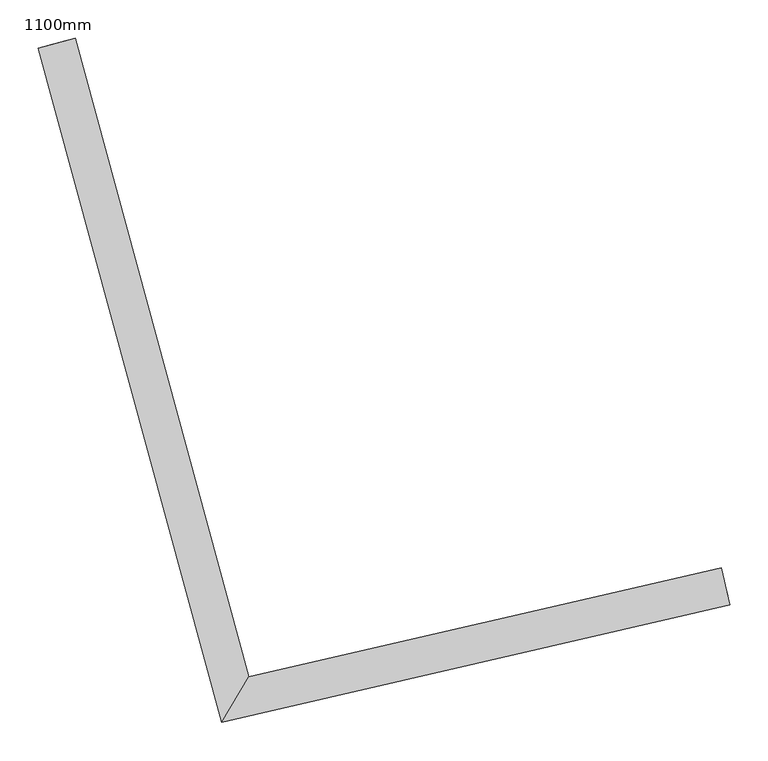
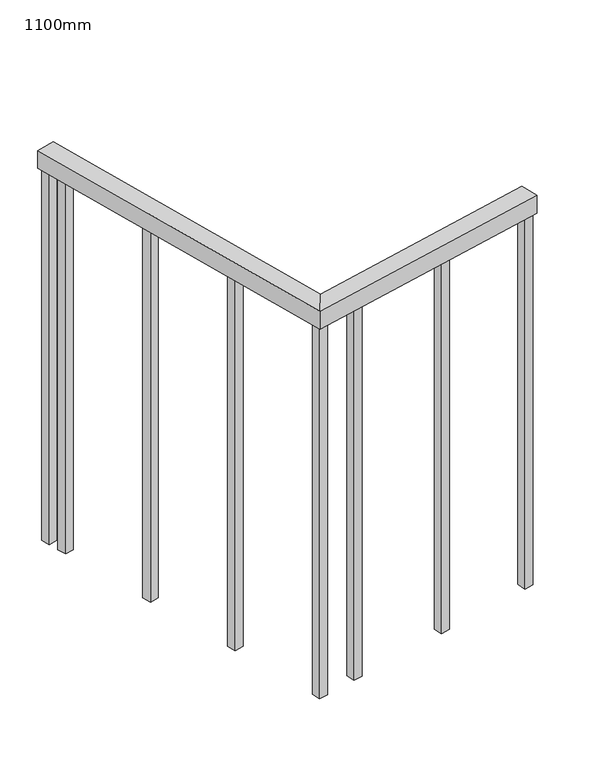
"""IFC4 building model written with IfcOpenShell, lengths in millimetres: railing geometry, 1100mm."""

from ifc_helpers import new_model, si_unit, frame, origin, place, context, project, spatial, polyline, outline, extrude, faceted_brep, source, transform, mapped, element, save


def railing_1100mm_f8deb317(model_context):
    return source(origin(), model_context, "Body", "SolidModel", [
        faceted_brep([(188792.3343753, -74279.3101806, 1700.0), (188803.581928, -74328.0286838, 1700.0), (188803.581928, -74328.0286838, 1650.0), (188792.3343753, -74279.3101806, 1650.0), (188174.1876302, -74422.0206015, 1700.0), (188138.5571648, -74481.561748, 1700.0), (188138.5571648, -74481.561748, 1650.0), (188174.1876302, -74422.0206015, 1650.0), (187946.8909413, -73585.7711418, 1700.0), (187946.8909413, -73585.7711418, 1650.0), (187898.6414707, -73598.8855837, 1650.0), (187898.6414707, -73598.8855837, 1700.0)], [[[0, 1, 2, 3]], [[1, 0, 4, 5]], [[2, 1, 5, 6]], [[3, 2, 6, 7]], [[0, 3, 7, 4]], [[8, 9, 10, 11]], [[5, 4, 8, 11]], [[6, 5, 11, 10]], [[7, 6, 10, 9]], [[4, 7, 9, 8]]]),
        extrude(outline(polyline([(187955.3250851, -73664.4586667), (187931.2003498, -73671.0158877), (187924.6431288, -73646.8911523), (187948.7678641, -73640.3339314), (187955.3250851, -73664.4586667)])), frame((0.0, 0.0, 600.0), z_axis=(0.0, 0.0, 1.0), x_axis=(1.0, 0.0, 0.0)), (0.0, 0.0, 1.0), 1050.0),
        extrude(outline(polyline([(188027.4545152, -73929.8307551), (188003.3297799, -73936.3879761), (187996.772559, -73912.2632407), (188020.8972943, -73905.7060198), (188027.4545152, -73929.8307551)])), frame((0.0, 0.0, 600.0), z_axis=(0.0, 0.0, 1.0), x_axis=(1.0, 0.0, 0.0)), (0.0, 0.0, 1.0), 1050.0),
        extrude(outline(polyline([(188099.5839454, -74195.2028435), (188075.4592101, -74201.7600645), (188068.9019892, -74177.6353291), (188093.0267245, -74171.0781082), (188099.5839454, -74195.2028435)])), frame((0.0, 0.0, 600.0), z_axis=(0.0, 0.0, 1.0), x_axis=(1.0, 0.0, 0.0)), (0.0, 0.0, 1.0), 1050.0),
        extrude(outline(polyline([(188271.4223537, -74412.4009981), (188277.04613, -74436.7602497), (188252.6868784, -74442.3840261), (188247.0631021, -74418.0247745), (188271.4223537, -74412.4009981)])), frame((0.0, 0.0, 600.0), z_axis=(0.0, 0.0, 1.0), x_axis=(1.0, 0.0, 0.0)), (0.0, 0.0, 1.0), 1050.0),
        extrude(outline(polyline([(188539.3741215, -74350.5394582), (188544.9978979, -74374.8987098), (188520.6386462, -74380.5224862), (188515.0148699, -74356.1632345), (188539.3741215, -74350.5394582)])), frame((0.0, 0.0, 600.0), z_axis=(0.0, 0.0, 1.0), x_axis=(1.0, 0.0, 0.0)), (0.0, 0.0, 1.0), 1050.0),
        extrude(outline(polyline([(188165.7401351, -74436.7996607), (188171.3639115, -74461.1589124), (188147.0046599, -74466.7826887), (188141.3808835, -74442.4234371), (188165.7401351, -74436.7996607)])), frame((0.0, 0.0, 600.0), z_axis=(0.0, 0.0, 1.0), x_axis=(1.0, 0.0, 0.0)), (0.0, 0.0, 1.0), 1050.0),
        extrude(outline(polyline([(187941.3857946, -73613.1744876), (187917.2610593, -73619.7317085), (187910.7038384, -73595.6069732), (187934.8285737, -73589.0497523), (187941.3857946, -73613.1744876)])), frame((0.0, 0.0, 600.0), z_axis=(0.0, 0.0, 1.0), x_axis=(1.0, 0.0, 0.0)), (0.0, 0.0, 1.0), 1050.0),
        extrude(outline(polyline([(188795.1462635, -74291.4898064), (188800.7700399, -74315.849058), (188776.4107882, -74321.4728344), (188770.7870119, -74297.1135828), (188795.1462635, -74291.4898064)])), frame((0.0, 0.0, 600.0), z_axis=(0.0, 0.0, 1.0), x_axis=(1.0, 0.0, 0.0)), (0.0, 0.0, 1.0), 1050.0),
    ])


if __name__ == "__main__":
    model = new_model("IFC4")
    model_context = context("Model", 3, world=origin())
    ifc_project = project(units=[si_unit("LENGTHUNIT", "METRE", prefix="MILLI")], contexts=[model_context])
    site = spatial("IfcSite", under=ifc_project)
    building = spatial("IfcBuilding", under=site)
    placement = place(None, origin())
    railing_1100mm_shape = railing_1100mm_f8deb317(model_context)
    element("IfcRailing", 1, ObjectType="1100mm", at=placement, inside=building, context=model_context, shape_type="MappedRepresentation", body=[
        mapped(railing_1100mm_shape, transform((0.0, 0.0, 0.0), x_axis=(1.0, 0.0, 0.0), y_axis=(0.0, 1.0, 0.0), z_axis=(0.0, 0.0, 1.0))),
    ])
    save(model, "model.ifc")
